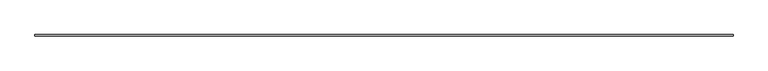
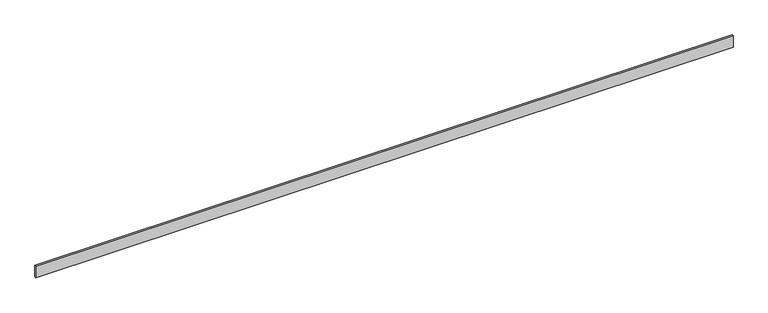
"""IFC4 building model written with IfcOpenShell, lengths in millimetres: furniture geometry."""

import ifcopenshell
import ifcopenshell.guid

model = None  # the IFC model being written
_history = None  # IfcOwnerHistory: only IFC2X3 demands one
_inside = {}  # id of a spatial element -> (the spatial element, [elements in it])
_under = {}  # id of a project, library or spatial element -> (it, [spatial elements below it])
_declared = {}  # id of a project -> (the project, [libraries it declares])
_typed = {}  # id of a type object -> (the type object, [elements of that type])
_made_of = {}  # id of a material, layer set ... -> (it, [elements and type objects made of it])


def new_model(schema):
    """Start an empty IFC model of exactly this schema.

    Asked for "IFC4X3", IfcOpenShell would pick the latest addendum, in which some entities
    have other attributes; the version numbers below select the first issue.
    IFC2X3 requires an IfcOwnerHistory on every rooted entity: one is made here for all.
    """
    global model, _history
    if schema == "IFC4X3":
        model = ifcopenshell.file(schema_version=(4, 3, 0, 0))
    else:
        model = ifcopenshell.file(schema=schema)
    _inside.clear()
    _under.clear()
    _declared.clear()
    _typed.clear()
    _made_of.clear()
    _history = None
    if model.schema == "IFC2X3":
        org = make("IfcOrganization", Name="unknown")
        user = make(
            "IfcPersonAndOrganization",
            ThePerson=make("IfcPerson", FamilyName="unknown"),
            TheOrganization=org,
        )
        app = make(
            "IfcApplication",
            ApplicationDeveloper=org,
            Version="unknown",
            ApplicationFullName="unknown",
            ApplicationIdentifier="unknown",
        )
        _history = make(
            "IfcOwnerHistory",
            OwningUser=user,
            OwningApplication=app,
            ChangeAction="ADDED",
            CreationDate=0,
        )
    return model


def make(cls, **values):
    """One entity of the class cls with the attributes given. An attribute that is None is left unset."""
    return model.create_entity(
        cls, **{name: value for name, value in values.items() if value is not None}
    )


def rooted(cls, **values):
    """An entity with a GlobalId (a new one), such as an element, a storey or a relation."""
    return make(cls, GlobalId=ifcopenshell.guid.new(), OwnerHistory=_history, **values)


def si_unit(unit_type, name, prefix=None):
    """IfcSIUnit, for example si_unit("LENGTHUNIT", "METRE", prefix="MILLI")."""
    return make("IfcSIUnit", UnitType=unit_type, Prefix=prefix, Name=name)


def assignment(units):
    """IfcUnitAssignment: the units of a project."""
    return None if units is None else make("IfcUnitAssignment", Units=units)


def point(xyz):
    """IfcCartesianPoint."""
    return None if xyz is None else make("IfcCartesianPoint", Coordinates=xyz)


def direction(xyz):
    """IfcDirection."""
    return None if xyz is None else make("IfcDirection", DirectionRatios=xyz)


def frame(location, z_axis=None, x_axis=None):
    """IfcAxis2Placement3D, a coordinate frame: its origin and axes. An axis left out is left unset."""
    return make(
        "IfcAxis2Placement3D",
        Location=point(location),
        Axis=direction(z_axis),
        RefDirection=direction(x_axis),
    )


def origin():
    """The frame at (0, 0, 0) with its axes left unset."""
    return frame((0.0, 0.0, 0.0))


def origin_with_axes():
    """The frame at (0, 0, 0) with the z axis (0, 0, 1) and the x axis (1, 0, 0) written out."""
    return frame((0.0, 0.0, 0.0), z_axis=(0.0, 0.0, 1.0), x_axis=(1.0, 0.0, 0.0))


def place(relative_to, where):
    """IfcLocalPlacement: puts the frame where relative to a parent placement (None: the world)."""
    return make(
        "IfcLocalPlacement", PlacementRelTo=relative_to, RelativePlacement=where
    )


def context(
    kind, dimensions, precision=None, world=None, true_north=None, identifier=None
):
    """IfcGeometricRepresentationContext, for example the 3D "Model" context."""
    return make(
        "IfcGeometricRepresentationContext",
        ContextIdentifier=identifier,
        ContextType=kind,
        CoordinateSpaceDimension=dimensions,
        Precision=precision,
        WorldCoordinateSystem=world,
        TrueNorth=true_north,
    )


def project(units=None, contexts=None):
    """IfcProject with its units and contexts."""
    return rooted(
        "IfcProject",
        Name="project",
        RepresentationContexts=contexts,
        UnitsInContext=assignment(units),
    )


def spatial(cls, under=None, at=None, **own):
    """A site, building, storey or space (cls), placed at a placement, below another one or the project."""
    s = rooted(cls, ObjectPlacement=at, **own)
    if under is not None:
        _under.setdefault(under.id(), (under, []))[1].append(s)
    return s


def polyline(points):
    """IfcPolyline through the points."""
    return make("IfcPolyline", Points=[point(p) for p in points])


def outline(outer, holes=None, kind="AREA"):
    """IfcArbitraryClosedProfileDef: a profile drawn as a closed curve; with holes, ...WithVoids."""
    if holes is None:
        return make("IfcArbitraryClosedProfileDef", ProfileType=kind, OuterCurve=outer)
    return make(
        "IfcArbitraryProfileDefWithVoids",
        ProfileType=kind,
        OuterCurve=outer,
        InnerCurves=holes,
    )


def extrude(swept, where, along, depth):
    """IfcExtrudedAreaSolid: the profile swept, set in the frame where, extruded along a direction by depth."""
    return make(
        "IfcExtrudedAreaSolid",
        SweptArea=swept,
        Position=where,
        ExtrudedDirection=direction(along),
        Depth=depth,
    )


def shape(context_of_items, identifier, shape_type, items):
    """IfcShapeRepresentation: the items that make up one representation, for example the "Body"."""
    return make(
        "IfcShapeRepresentation",
        ContextOfItems=context_of_items,
        RepresentationIdentifier=identifier,
        RepresentationType=shape_type,
        Items=items,
    )


def source(mapping_origin, context_of_items, identifier, shape_type, items):
    """IfcRepresentationMap: a shape defined once, which mapped items show again and again."""
    return make(
        "IfcRepresentationMap",
        MappingOrigin=mapping_origin,
        MappedRepresentation=shape(context_of_items, identifier, shape_type, items),
    )


def transform(
    local_origin,
    x_axis=None,
    y_axis=None,
    z_axis=None,
    scale=None,
    scale2=None,
    scale3=None,
    uniform=True,
):
    """IfcCartesianTransformationOperator3D, or its non-uniform kind. x_axis, y_axis, z_axis: its Axis1, 2, 3."""
    if uniform:
        return make(
            "IfcCartesianTransformationOperator3D",
            Axis1=direction(x_axis),
            Axis2=direction(y_axis),
            LocalOrigin=point(local_origin),
            Scale=scale,
            Axis3=direction(z_axis),
        )
    return make(
        "IfcCartesianTransformationOperator3DnonUniform",
        Axis1=direction(x_axis),
        Axis2=direction(y_axis),
        LocalOrigin=point(local_origin),
        Scale=scale,
        Axis3=direction(z_axis),
        Scale2=scale2,
        Scale3=scale3,
    )


def mapped(mapping_source, mapping_target):
    """IfcMappedItem: shows the shape of a source again, moved by a transform."""
    return make(
        "IfcMappedItem", MappingSource=mapping_source, MappingTarget=mapping_target
    )


def made_of(thing, what):
    """Note that an element or type object is made of a material, layer set ...; save() writes the relation."""
    if what is not None:
        _made_of.setdefault(what.id(), (what, []))[1].append(thing)
    return thing


def element(
    cls,
    number,
    at=None,
    inside=None,
    cuts=None,
    type_object=None,
    material=None,
    context=None,
    identifier="Body",
    shape_type=None,
    held_by="IfcProductDefinitionShape",
    body=None,
    shapes=None,
    **own,
):
    """One element of the class cls, such as IfcWall. Its Tag is "e" and its number.

    at: its placement. inside: the storey or other place that contains it. cuts: it is an
    opening in that element (IfcRelVoidsElement). A single representation is given by context,
    identifier, shape_type and body (its items); several are given by shapes. held_by: the class
    of the entity that holds the representations. save() writes the other relations.
    """
    e = rooted(cls, Tag="e%d" % number, ObjectPlacement=at, **own)
    if body is not None:
        shapes = [shape(context, identifier, shape_type, body)]
    if shapes is not None:
        e.Representation = make(held_by, Representations=shapes)
    if inside is not None:
        _inside.setdefault(inside.id(), (inside, []))[1].append(e)
    if cuts is not None:
        rooted(
            "IfcRelVoidsElement", RelatingBuildingElement=cuts, RelatedOpeningElement=e
        )
    if type_object is not None:
        _typed.setdefault(type_object.id(), (type_object, []))[1].append(e)
    return made_of(e, material)


def aggregate(whole, parts):
    """IfcRelAggregates: a whole, such as a stair, and the parts it consists of."""
    return rooted("IfcRelAggregates", RelatingObject=whole, RelatedObjects=parts)


def save(model, path):
    """Write the relations noted so far, then the file.

    IfcRelAggregates (storeys below a building ...), IfcRelContainedInSpatialStructure (elements
    in a storey), IfcRelDefinesByType, IfcRelAssociatesMaterial and IfcRelDeclares: one each for
    every whole, place, type object, material and project.
    """
    for whole, parts in _under.values():
        aggregate(whole, parts)
    for where, things in _inside.values():
        rooted(
            "IfcRelContainedInSpatialStructure",
            RelatedElements=things,
            RelatingStructure=where,
        )
    for kind, things in _typed.values():
        rooted("IfcRelDefinesByType", RelatedObjects=things, RelatingType=kind)
    for what, things in _made_of.values():
        rooted("IfcRelAssociatesMaterial", RelatedObjects=things, RelatingMaterial=what)
    for by, libraries in _declared.values():
        rooted("IfcRelDeclares", RelatingContext=by, RelatedDefinitions=libraries)
    model.write(path)


def furniture_2f2a695a(model_context):
    return source(origin(), model_context, "Body", "SweptSolid", [
        extrude(outline(polyline([(0.0, 0.0), (0.0, 10.0), (5728.4118447, 10.0), (5728.4118447, 0.0), (0.0, 0.0)])), origin_with_axes(), (0.0, 0.0, 1.0), 100.0),
    ])


if __name__ == "__main__":
    model = new_model("IFC4")
    model_context = context("Model", 3, world=origin())
    ifc_project = project(units=[si_unit("LENGTHUNIT", "METRE", prefix="MILLI")], contexts=[model_context])
    site = spatial("IfcSite", under=ifc_project)
    building = spatial("IfcBuilding", under=site)
    placement = place(None, origin())
    furniture_shape = furniture_2f2a695a(model_context)
    element("IfcFurniture", 1, at=placement, inside=building, context=model_context, shape_type="MappedRepresentation", body=[
        mapped(furniture_shape, transform((0.0, 0.0, 0.0), x_axis=(1.0, 0.0, 0.0), y_axis=(0.0, 1.0, 0.0), z_axis=(0.0, 0.0, 1.0))),
    ])
    save(model, "model.ifc")
